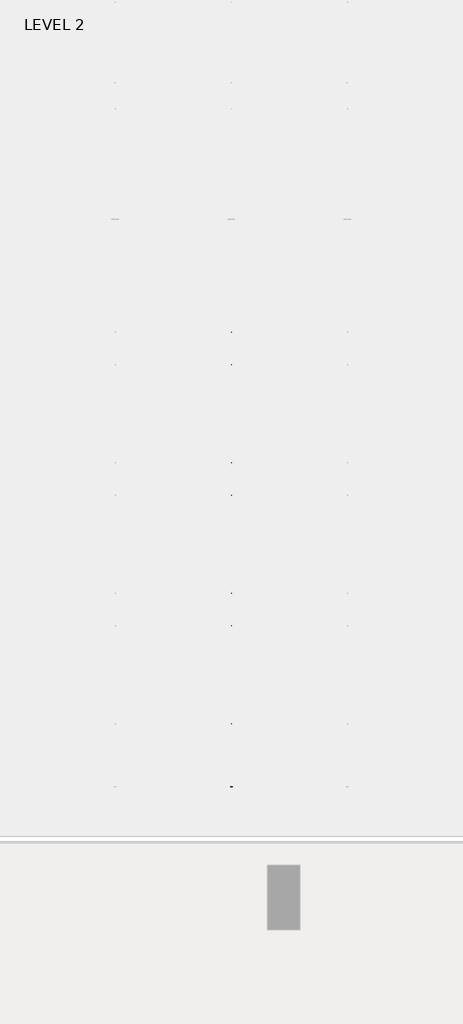
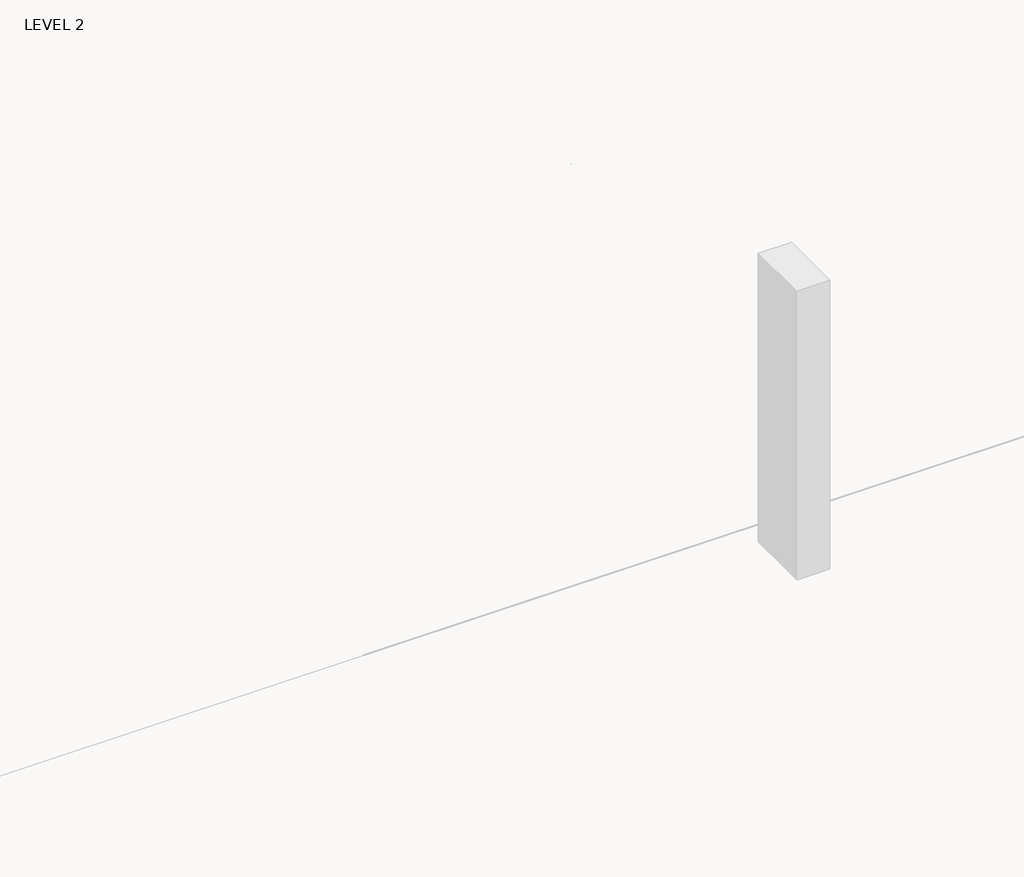
# One storey, part 18 of 67: 1 beam.
"""IFC4 building model written with IfcOpenShell, lengths in millimetres."""

from ifc_helpers import new_model, si_unit, frame, origin, place, context, project, spatial, polyline, outline, extrude, faceted_brep, element, save

model = new_model("IFC4")

# Units and contexts
model_context = context("Model", 3, world=origin())
ifc_project = project(units=[si_unit("LENGTHUNIT", "METRE", prefix="MILLI")], contexts=[model_context])

# Site, building, storey
site = spatial("IfcSite", under=ifc_project)
building = spatial("IfcBuilding", under=site)
storey = spatial("IfcBuildingStorey", under=building, Name="LEVEL 2", Elevation=6908.8)

# Beam
placement = place(None, origin())
element("IfcBeam", 1, ObjectType="K-Series Bar Joist-Angle Web : 12K3", at=placement, inside=storey, context=model_context, shape_type="SolidModel", body=[
    extrude(outline(polyline([(0.0, -9.525), (0.0, 0.0), (573.7533355, 0.0), (573.7533355, -9.525), (0.0, -9.525)])), frame((16225.0814942, -8384.9703623, 6274.5702814), z_axis=(0.0, -0.47954343730979243, 0.8775181432501035), x_axis=(0.0, -0.8775181432501035, -0.47954343730979243)), (0.0, 0.0, 1.0), 9.525),
    extrude(outline(polyline([(0.0, -9.525), (0.0, 0.0), (573.7533355, 0.0), (573.7533355, -9.525), (0.0, -9.525)])), frame((16215.5564942, -14433.7556121, 6173.6227252), z_axis=(0.0, 0.44999492249664974, 0.893031113526978), x_axis=(0.0, 0.893031113526978, -0.44999492249664974)), (0.0, 0.0, 1.0), 9.525),
    extrude(outline(polyline([(4.7625, 4.7625001), (4.7625, -4.7625), (-4.7625, -4.7625), (-4.7625, 4.7625001), (4.7625, 4.7625001)])), frame((16220.3189942, -8890.7331495, 6003.6098148), z_axis=(0.0, 0.5446821447758766, 0.838642570564094), x_axis=(-1.0, 0.0, 0.0)), (0.0, 0.0, 1.0), 321.5434366),
    extrude(outline(polyline([(4.7625, 4.7625), (4.7625, -4.7625), (-4.7625, -4.7625), (-4.7625, 4.7625), (4.7625, 4.7625)])), frame((16220.3189942, -13919.2329312, 5919.6896981), z_axis=(0.0, -0.5723630656913158, 0.820000317702645), x_axis=(-1.0, 0.0, 0.0)), (0.0, 0.0, 1.0), 321.5434366),
    extrude(outline(polyline([(0.0, 0.0), (31.75, 0.0), (31.75, -6.35), (6.35, -6.35), (6.35, -31.7500001), (0.0, -31.7500001), (0.0, 0.0)])), frame((16225.0814942, -14020.7128256, 5911.6452263), z_axis=(0.0, 0.9998607694356157, 0.01668657375312592), x_axis=(1.0, 0.0, 0.0)), (0.0, 0.0, 1.0), 5232.4),
    extrude(outline(polyline([(-9.525, 0.0), (-9.525, -31.7500001), (-15.875, -31.7500001), (-15.875, -6.35), (-41.275, -6.35), (-41.275, 0.0), (-9.525, 0.0)])), frame((16225.0814942, -14020.7128256, 5911.6452263), z_axis=(0.0, 0.9998607694356157, 0.01668657375312592), x_axis=(1.0, 0.0, 0.0)), (0.0, 0.0, 1.0), 5232.4),
    extrude(outline(polyline([(-31.75, 0.0), (0.0, 0.0), (0.0, -6.35), (-25.4, -6.35), (-25.4, -31.7500001), (-31.75, -31.7500001), (-31.75, 0.0)])), frame((16256.8314942, -14532.6685667, 6144.4348505), z_axis=(0.0, 0.9998607694356157, 0.01668657375312592), x_axis=(1.0, 0.0, 0.0)), (0.0, 0.0, 1.0), 101.6),
    extrude(outline(polyline([(-41.275, 0.0), (-41.275, -31.7500001), (-47.625, -31.7500001), (-47.625, -6.35), (-73.025, -6.35), (-73.025, 0.0), (-41.275, 0.0)])), frame((16256.8314942, -14532.6685667, 6144.4348505), z_axis=(0.0, 0.9998607694356157, 0.01668657375312592), x_axis=(1.0, 0.0, 0.0)), (0.0, 0.0, 1.0), 101.6),
    extrude(outline(polyline([(0.0, 0.0), (31.75, 0.0), (31.75, -6.35), (6.35, -6.35), (6.35, -31.75), (0.0, -31.75), (0.0, 0.0)])), frame((16215.5564942, -8386.7243892, 6247.0038821), z_axis=(0.0, 0.9998607694356157, 0.01668657375312592), x_axis=(0.0, -0.01668657375312592, 0.9998607694356157)), (0.0, 0.0, 1.0), 101.6),
    extrude(outline(polyline([(0.0, 41.275), (6.35, 41.275), (6.35, 15.875), (31.75, 15.875), (31.75, 9.525), (0.0, 9.525), (0.0, 41.275)])), frame((16215.5564942, -8386.7243892, 6247.0038821), z_axis=(0.0, 0.9998607694356157, 0.01668657375312592), x_axis=(0.0, -0.01668657375312592, 0.9998607694356157)), (0.0, 0.0, 1.0), 101.6),
    extrude(outline(polyline([(0.0, 0.0), (31.75, 0.0), (31.75, -6.35), (6.35, -6.35), (6.35, -31.75), (0.0, -31.75), (0.0, 0.0)])), frame((16225.0814942, -14533.7281642, 6207.9260094), z_axis=(0.0, 0.9998607694356157, 0.01668657375312592), x_axis=(0.0, 0.01668657375312592, -0.9998607694356157)), (0.0, 0.0, 1.0), 6248.4),
    extrude(outline(polyline([(0.0, 9.525), (0.0, 41.275), (6.35, 41.275), (6.35, 15.875), (31.75, 15.875), (31.75, 9.525), (0.0, 9.525)])), frame((16225.0814942, -14533.7281642, 6207.9260094), z_axis=(0.0, 0.9998607694356157, 0.01668657375312592), x_axis=(0.0, 0.01668657375312592, -0.9998607694356157)), (0.0, 0.0, 1.0), 6248.4),
    faceted_brep([(16220.3189942, -8890.9980489, 6019.4826046), (16220.3189942, -8890.6801697, 6000.4352569), (16215.5564942, -8890.6801697, 6000.4352569), (16215.5564942, -8890.9980489, 6019.4826046), (16220.3189942, -8891.9429222, 6019.4668357), (16220.3189942, -9063.496197, 6296.0427071), (16220.3189942, -9081.5986714, 6295.7405968), (16220.3189942, -9081.2807922, 6276.6932491), (16220.3189942, -9073.986803, 6276.8149778), (16220.3189942, -8902.4335282, 6000.2391063), (16215.5564942, -8902.4335282, 6000.2391063), (16215.5564942, -8923.8776875, 6034.8110902), (16215.5564942, -8919.8305256, 6037.3214462), (16215.5564942, -9060.192296, 6263.6107955), (16215.5564942, -9064.2394579, 6261.1004396), (16215.5564942, -9073.986803, 6276.8149778), (16215.5564942, -9081.2807922, 6276.6932491), (16215.5564942, -9081.5986714, 6295.7405968), (16215.5564942, -9063.496197, 6296.0427071), (16215.5564942, -8891.9429222, 6019.4668357), (16202.8564942, -9064.2394579, 6261.1004396), (16202.8564942, -8923.8776875, 6034.8110902), (16202.8564942, -8919.8305256, 6037.3214462), (16202.8564942, -9060.192296, 6263.6107955)], [[[0, 1, 2, 3]], [[1, 0, 4, 5, 6, 7, 8, 9]], [[2, 1, 9, 10]], [[3, 2, 10, 11, 12, 13, 14, 15, 16, 17, 18, 19]], [[0, 3, 19, 4]], [[9, 8, 15, 14, 20, 21, 11, 10]], [[5, 4, 19, 18]], [[7, 6, 17, 16]], [[8, 7, 16, 15]], [[6, 5, 18, 17]], [[21, 22, 12, 11]], [[20, 14, 13, 23]], [[22, 21, 20, 23]], [[12, 22, 23, 13]]]),
    extrude(outline(polyline([(-9249.8587255, 5994.4409629), (-9250.1766047, 6013.4883105), (-9249.2317315, 6013.5040794), (-9087.002914, 6295.6504059), (-9068.9004396, 6295.9525163), (-9068.5825604, 6276.9051686), (-9075.8765496, 6276.78344), (-9238.105367, 5994.6371134), (-9249.8587255, 5994.4409629)])), frame((16220.3189942, 0.0, 0.0), z_axis=(1.0, 0.0, 0.0), x_axis=(0.0, 1.0, 0.0)), (0.0, 0.0, 1.0), 4.7625),
    extrude(outline(polyline([(-4.7625, 4.7625001), (-4.7625, 0.0), (-17.4625, 0.0), (-17.4625, 4.7625001), (-4.7625, 4.7625001)])), frame((16220.3189942, -9217.8267648, 6029.9054043), z_axis=(0.0, 0.4984588389961533, 0.8669133669673152), x_axis=(-1.0, 0.0, 0.0)), (0.0, 0.0, 1.0), 266.2861172),
    faceted_brep([(16220.3189942, -13560.3192747, 5941.5567819), (16220.3189942, -13560.0013955, 5922.5094342), (16215.5564942, -13560.0013955, 5922.5094342), (16215.5564942, -13560.3192747, 5941.5567819), (16220.3189942, -13561.264148, 5941.541013), (16220.3189942, -13732.8174229, 6218.1168844), (16220.3189942, -13750.9198972, 6217.8147741), (16220.3189942, -13750.602018, 6198.7674264), (16220.3189942, -13743.3080288, 6198.8891551), (16220.3189942, -13571.754754, 5922.3132836), (16215.5564942, -13571.754754, 5922.3132836), (16215.5564942, -13593.1989133, 5956.8852676), (16215.5564942, -13589.1517514, 5959.3956235), (16215.5564942, -13729.5135218, 6185.6849729), (16215.5564942, -13733.5606837, 6183.1746169), (16215.5564942, -13743.3080288, 6198.8891551), (16215.5564942, -13750.602018, 6198.7674264), (16215.5564942, -13750.9198972, 6217.8147741), (16215.5564942, -13732.8174229, 6218.1168844), (16215.5564942, -13561.264148, 5941.541013), (16202.8564942, -13733.5606837, 6183.1746169), (16202.8564942, -13593.1989133, 5956.8852676), (16202.8564942, -13589.1517514, 5959.3956235), (16202.8564942, -13729.5135218, 6185.6849729)], [[[0, 1, 2, 3]], [[1, 0, 4, 5, 6, 7, 8, 9]], [[2, 1, 9, 10]], [[3, 2, 10, 11, 12, 13, 14, 15, 16, 17, 18, 19]], [[0, 3, 19, 4]], [[9, 8, 15, 14, 20, 21, 11, 10]], [[5, 4, 19, 18]], [[7, 6, 17, 16]], [[8, 7, 16, 15]], [[6, 5, 18, 17]], [[21, 22, 12, 11]], [[20, 14, 13, 23]], [[22, 21, 20, 23]], [[12, 22, 23, 13]]]),
    extrude(outline(polyline([(-13919.1799513, 5916.5151402), (-13919.4978306, 5935.5624878), (-13918.5529573, 5935.5782567), (-13756.3241398, 6217.7245833), (-13738.2216655, 6218.0266936), (-13737.9037862, 6198.9793459), (-13745.1977754, 6198.8576173), (-13907.4265928, 5916.7112908), (-13919.1799513, 5916.5151402)])), frame((16220.3189942, 0.0, 0.0), z_axis=(1.0, 0.0, 0.0), x_axis=(0.0, 1.0, 0.0)), (0.0, 0.0, 1.0), 4.7625),
    extrude(outline(polyline([(-4.7625, 4.7625), (-4.7625, 0.0), (-17.4625, 0.0), (-17.4625, 4.7625), (-4.7625, 4.7625)])), frame((16220.3189942, -13887.1479907, 5951.9795816), z_axis=(0.0, 0.4984588389961533, 0.8669133669673152), x_axis=(-1.0, 0.0, 0.0)), (0.0, 0.0, 1.0), 266.2861172),
    faceted_brep([(16220.3189942, -9250.1766047, 6013.4883105), (16220.3189942, -9249.8587255, 5994.4409629), (16215.5564942, -9249.8587255, 5994.4409629), (16215.5564942, -9250.1766047, 6013.4883105), (16220.3189942, -9251.121478, 6013.4725416), (16220.3189942, -9422.6747529, 6290.0484131), (16220.3189942, -9440.7772272, 6289.7463027), (16220.3189942, -9440.459348, 6270.6989551), (16220.3189942, -9433.1653588, 6270.8206837), (16220.3189942, -9261.612084, 5994.2448123), (16215.5564942, -9261.612084, 5994.2448123), (16215.5564942, -9283.0562434, 6028.8167962), (16215.5564942, -9279.0090815, 6031.3271521), (16215.5564942, -9419.3708518, 6257.6165015), (16215.5564942, -9423.4180137, 6255.1061455), (16215.5564942, -9433.1653588, 6270.8206837), (16215.5564942, -9440.459348, 6270.6989551), (16215.5564942, -9440.7772272, 6289.7463027), (16215.5564942, -9422.6747529, 6290.0484131), (16215.5564942, -9251.121478, 6013.4725416), (16202.8564942, -9423.4180137, 6255.1061455), (16202.8564942, -9283.0562434, 6028.8167962), (16202.8564942, -9279.0090815, 6031.3271521), (16202.8564942, -9419.3708518, 6257.6165015)], [[[0, 1, 2, 3]], [[1, 0, 4, 5, 6, 7, 8, 9]], [[2, 1, 9, 10]], [[3, 2, 10, 11, 12, 13, 14, 15, 16, 17, 18, 19]], [[0, 3, 19, 4]], [[9, 8, 15, 14, 20, 21, 11, 10]], [[5, 4, 19, 18]], [[7, 6, 17, 16]], [[8, 7, 16, 15]], [[6, 5, 18, 17]], [[21, 22, 12, 11]], [[20, 14, 13, 23]], [[22, 21, 20, 23]], [[12, 22, 23, 13]]]),
    extrude(outline(polyline([(-9609.0372813, 5988.4466688), (-9609.3551606, 6007.4940165), (-9608.4102873, 6007.5097854), (-9446.1814699, 6289.6561119), (-9428.0789955, 6289.9582222), (-9427.7611162, 6270.9108746), (-9435.0551054, 6270.7891459), (-9597.2839229, 5988.6428194), (-9609.0372813, 5988.4466688)])), frame((16220.3189942, 0.0, 0.0), z_axis=(1.0, 0.0, 0.0), x_axis=(0.0, 1.0, 0.0)), (0.0, 0.0, 1.0), 4.7625),
    extrude(outline(polyline([(-4.7625, 4.7625), (-4.7625, 0.0), (-17.4625, 0.0), (-17.4625, 4.7625), (-4.7625, 4.7625)])), frame((16220.3189942, -9577.0053207, 6023.9111102), z_axis=(0.0, 0.4984588389961533, 0.8669133669673152), x_axis=(-1.0, 0.0, 0.0)), (0.0, 0.0, 1.0), 266.2861172),
    faceted_brep([(16220.3189942, -9609.3551606, 6007.4940165), (16220.3189942, -9609.0372813, 5988.4466688), (16215.5564942, -9609.0372813, 5988.4466688), (16215.5564942, -9609.3551606, 6007.4940165), (16220.3189942, -9610.3000339, 6007.4782476), (16220.3189942, -9781.8533087, 6284.054119), (16220.3189942, -9799.9557831, 6283.7520087), (16220.3189942, -9799.6379039, 6264.704661), (16220.3189942, -9792.3439147, 6264.8263896), (16220.3189942, -9620.7906398, 5988.2505182), (16215.5564942, -9620.7906398, 5988.2505182), (16215.5564942, -9642.2347992, 6022.8225021), (16215.5564942, -9638.1876373, 6025.3328581), (16215.5564942, -9778.5494076, 6251.6222074), (16215.5564942, -9782.5965695, 6249.1118515), (16215.5564942, -9792.3439147, 6264.8263896), (16215.5564942, -9799.6379039, 6264.704661), (16215.5564942, -9799.9557831, 6283.7520087), (16215.5564942, -9781.8533087, 6284.054119), (16215.5564942, -9610.3000339, 6007.4782476), (16202.8564942, -9782.5965695, 6249.1118515), (16202.8564942, -9642.2347992, 6022.8225021), (16202.8564942, -9638.1876373, 6025.3328581), (16202.8564942, -9778.5494076, 6251.6222074)], [[[0, 1, 2, 3]], [[1, 0, 4, 5, 6, 7, 8, 9]], [[2, 1, 9, 10]], [[3, 2, 10, 11, 12, 13, 14, 15, 16, 17, 18, 19]], [[0, 3, 19, 4]], [[9, 8, 15, 14, 20, 21, 11, 10]], [[5, 4, 19, 18]], [[7, 6, 17, 16]], [[8, 7, 16, 15]], [[6, 5, 18, 17]], [[21, 22, 12, 11]], [[20, 14, 13, 23]], [[22, 21, 20, 23]], [[12, 22, 23, 13]]]),
    extrude(outline(polyline([(-9968.2158372, 5982.4523747), (-9968.5337164, 6001.4997224), (-9967.5888431, 6001.5154913), (-9805.3600257, 6283.6618178), (-9787.2575513, 6283.9639282), (-9786.9396721, 6264.9165805), (-9794.2336612, 6264.7948519), (-9956.4624787, 5982.6485253), (-9968.2158372, 5982.4523747)])), frame((16220.3189942, 0.0, 0.0), z_axis=(1.0, 0.0, 0.0), x_axis=(0.0, 1.0, 0.0)), (0.0, 0.0, 1.0), 4.7625),
    extrude(outline(polyline([(-4.7625, 4.7625), (-4.7625, 0.0), (-17.4625, 0.0), (-17.4625, 4.7625), (-4.7625, 4.7625)])), frame((16220.3189942, -9936.1838765, 6017.9168162), z_axis=(0.0, 0.4984588389961533, 0.8669133669673152), x_axis=(-1.0, 0.0, 0.0)), (0.0, 0.0, 1.0), 266.2861172),
    faceted_brep([(16220.3189942, -9968.5337164, 6001.4997224), (16220.3189942, -9968.2158372, 5982.4523747), (16215.5564942, -9968.2158372, 5982.4523747), (16215.5564942, -9968.5337164, 6001.4997224), (16220.3189942, -9969.4785897, 6001.4839535), (16220.3189942, -10141.0318645, 6278.059825), (16220.3189942, -10159.1343389, 6277.7577146), (16220.3189942, -10158.8164597, 6258.710367), (16220.3189942, -10151.5224705, 6258.8320956), (16220.3189942, -9979.9691957, 5982.2562242), (16215.5564942, -9979.9691957, 5982.2562242), (16215.5564942, -10001.413355, 6016.8282081), (16215.5564942, -9997.3661931, 6019.338564), (16215.5564942, -10137.7279635, 6245.6279134), (16215.5564942, -10141.7751254, 6243.1175574), (16215.5564942, -10151.5224705, 6258.8320956), (16215.5564942, -10158.8164597, 6258.710367), (16215.5564942, -10159.1343389, 6277.7577146), (16215.5564942, -10141.0318645, 6278.059825), (16215.5564942, -9969.4785897, 6001.4839535), (16202.8564942, -10141.7751254, 6243.1175574), (16202.8564942, -10001.413355, 6016.8282081), (16202.8564942, -9997.3661931, 6019.338564), (16202.8564942, -10137.7279635, 6245.6279134)], [[[0, 1, 2, 3]], [[1, 0, 4, 5, 6, 7, 8, 9]], [[2, 1, 9, 10]], [[3, 2, 10, 11, 12, 13, 14, 15, 16, 17, 18, 19]], [[0, 3, 19, 4]], [[9, 8, 15, 14, 20, 21, 11, 10]], [[5, 4, 19, 18]], [[7, 6, 17, 16]], [[8, 7, 16, 15]], [[6, 5, 18, 17]], [[21, 22, 12, 11]], [[20, 14, 13, 23]], [[22, 21, 20, 23]], [[12, 22, 23, 13]]]),
    extrude(outline(polyline([(-10327.394393, 5976.4580807), (-10327.7122722, 5995.5054284), (-10326.767399, 5995.5211972), (-10164.5385815, 6277.6675238), (-10146.4361071, 6277.9696341), (-10146.1182279, 6258.9222864), (-10153.4122171, 6258.8005578), (-10315.6410345, 5976.6542313), (-10327.394393, 5976.4580807)])), frame((16220.3189942, 0.0, 0.0), z_axis=(1.0, 0.0, 0.0), x_axis=(0.0, 1.0, 0.0)), (0.0, 0.0, 1.0), 4.7625),
    extrude(outline(polyline([(-4.7625, 4.7625), (-4.7625, 0.0), (-17.4625, 0.0), (-17.4625, 4.7625), (-4.7625, 4.7625)])), frame((16220.3189942, -10295.3624323, 6011.9225221), z_axis=(0.0, 0.4984588389961533, 0.8669133669673152), x_axis=(-1.0, 0.0, 0.0)), (0.0, 0.0, 1.0), 266.2861172),
    faceted_brep([(16220.3189942, -10327.7122722, 5995.5054284), (16220.3189942, -10327.394393, 5976.4580807), (16215.5564942, -10327.394393, 5976.4580807), (16215.5564942, -10327.7122722, 5995.5054284), (16220.3189942, -10328.6571455, 5995.4896595), (16220.3189942, -10500.2104204, 6272.0655309), (16220.3189942, -10518.3128947, 6271.7634206), (16220.3189942, -10517.9950155, 6252.7160729), (16220.3189942, -10510.7010263, 6252.8378015), (16220.3189942, -10339.1477515, 5976.2619301), (16215.5564942, -10339.1477515, 5976.2619301), (16215.5564942, -10360.5919108, 6010.833914), (16215.5564942, -10356.544749, 6013.34427), (16215.5564942, -10496.9065193, 6239.6336193), (16215.5564942, -10500.9536812, 6237.1232634), (16215.5564942, -10510.7010263, 6252.8378015), (16215.5564942, -10517.9950155, 6252.7160729), (16215.5564942, -10518.3128947, 6271.7634206), (16215.5564942, -10500.2104204, 6272.0655309), (16215.5564942, -10328.6571455, 5995.4896595), (16202.8564942, -10500.9536812, 6237.1232634), (16202.8564942, -10360.5919108, 6010.833914), (16202.8564942, -10356.544749, 6013.34427), (16202.8564942, -10496.9065193, 6239.6336193)], [[[0, 1, 2, 3]], [[1, 0, 4, 5, 6, 7, 8, 9]], [[2, 1, 9, 10]], [[3, 2, 10, 11, 12, 13, 14, 15, 16, 17, 18, 19]], [[0, 3, 19, 4]], [[9, 8, 15, 14, 20, 21, 11, 10]], [[5, 4, 19, 18]], [[7, 6, 17, 16]], [[8, 7, 16, 15]], [[6, 5, 18, 17]], [[21, 22, 12, 11]], [[20, 14, 13, 23]], [[22, 21, 20, 23]], [[12, 22, 23, 13]]]),
    extrude(outline(polyline([(-10686.5729488, 5970.4637866), (-10686.8908281, 5989.5111343), (-10685.9459548, 5989.5269032), (-10523.7171373, 6271.6732297), (-10505.614663, 6271.9753401), (-10505.2967837, 6252.9279924), (-10512.5907729, 6252.8062638), (-10674.8195903, 5970.6599372), (-10686.5729488, 5970.4637866)])), frame((16220.3189942, 0.0, 0.0), z_axis=(1.0, 0.0, 0.0), x_axis=(0.0, 1.0, 0.0)), (0.0, 0.0, 1.0), 4.7625),
    extrude(outline(polyline([(-4.7625, 4.7625), (-4.7625, 0.0), (-17.4625, 0.0), (-17.4625, 4.7625), (-4.7625, 4.7625)])), frame((16220.3189942, -10654.5409882, 6005.9282281), z_axis=(0.0, 0.4984588389961533, 0.8669133669673152), x_axis=(-1.0, 0.0, 0.0)), (0.0, 0.0, 1.0), 266.2861172),
    faceted_brep([(16220.3189942, -10686.8908281, 5989.5111343), (16220.3189942, -10686.5729488, 5970.4637866), (16215.5564942, -10686.5729488, 5970.4637866), (16215.5564942, -10686.8908281, 5989.5111343), (16220.3189942, -10687.8357014, 5989.4953654), (16220.3189942, -10859.3889762, 6266.0712369), (16220.3189942, -10877.4914506, 6265.7691265), (16220.3189942, -10877.1735713, 6246.7217789), (16220.3189942, -10869.8795822, 6246.8435075), (16220.3189942, -10698.3263073, 5970.2676361), (16215.5564942, -10698.3263073, 5970.2676361), (16215.5564942, -10719.7704667, 6004.83962), (16215.5564942, -10715.7233048, 6007.3499759), (16215.5564942, -10856.0850751, 6233.6393253), (16215.5564942, -10860.132237, 6231.1289693), (16215.5564942, -10869.8795822, 6246.8435075), (16215.5564942, -10877.1735713, 6246.7217789), (16215.5564942, -10877.4914506, 6265.7691265), (16215.5564942, -10859.3889762, 6266.0712369), (16215.5564942, -10687.8357014, 5989.4953654), (16202.8564942, -10860.132237, 6231.1289693), (16202.8564942, -10719.7704667, 6004.83962), (16202.8564942, -10715.7233048, 6007.3499759), (16202.8564942, -10856.0850751, 6233.6393253)], [[[0, 1, 2, 3]], [[1, 0, 4, 5, 6, 7, 8, 9]], [[2, 1, 9, 10]], [[3, 2, 10, 11, 12, 13, 14, 15, 16, 17, 18, 19]], [[0, 3, 19, 4]], [[9, 8, 15, 14, 20, 21, 11, 10]], [[5, 4, 19, 18]], [[7, 6, 17, 16]], [[8, 7, 16, 15]], [[6, 5, 18, 17]], [[21, 22, 12, 11]], [[20, 14, 13, 23]], [[22, 21, 20, 23]], [[12, 22, 23, 13]]]),
    extrude(outline(polyline([(-11045.7515047, 5964.4694926), (-11046.0693839, 5983.5168403), (-11045.1245106, 5983.5326091), (-10882.8956932, 6265.6789357), (-10864.7932188, 6265.981046), (-10864.4753396, 6246.9336983), (-10871.7693287, 6246.8119697), (-11033.9981462, 5964.6656432), (-11045.7515047, 5964.4694926)])), frame((16220.3189942, 0.0, 0.0), z_axis=(1.0, 0.0, 0.0), x_axis=(0.0, 1.0, 0.0)), (0.0, 0.0, 1.0), 4.7625),
    extrude(outline(polyline([(-4.7625, 4.7625), (-4.7625, 0.0), (-17.4625, 0.0), (-17.4625, 4.7625), (-4.7625, 4.7625)])), frame((16220.3189942, -11013.719544, 5999.933934), z_axis=(0.0, 0.4984588389961533, 0.8669133669673152), x_axis=(-1.0, 0.0, 0.0)), (0.0, 0.0, 1.0), 266.2861172),
    faceted_brep([(16220.3189942, -11046.0693839, 5983.5168403), (16220.3189942, -11045.7515047, 5964.4694926), (16215.5564942, -11045.7515047, 5964.4694926), (16215.5564942, -11046.0693839, 5983.5168403), (16220.3189942, -11047.0142572, 5983.5010714), (16220.3189942, -11218.567532, 6260.0769428), (16220.3189942, -11236.6700064, 6259.7748325), (16220.3189942, -11236.3521272, 6240.7274848), (16220.3189942, -11229.058138, 6240.8492134), (16220.3189942, -11057.5048632, 5964.273342), (16215.5564942, -11057.5048632, 5964.273342), (16215.5564942, -11078.9490225, 5998.8453259), (16215.5564942, -11074.9018606, 6001.3556819), (16215.5564942, -11215.263631, 6227.6450312), (16215.5564942, -11219.3107928, 6225.1346753), (16215.5564942, -11229.058138, 6240.8492134), (16215.5564942, -11236.3521272, 6240.7274848), (16215.5564942, -11236.6700064, 6259.7748325), (16215.5564942, -11218.567532, 6260.0769428), (16215.5564942, -11047.0142572, 5983.5010714), (16202.8564942, -11219.3107928, 6225.1346753), (16202.8564942, -11078.9490225, 5998.8453259), (16202.8564942, -11074.9018606, 6001.3556819), (16202.8564942, -11215.263631, 6227.6450312)], [[[0, 1, 2, 3]], [[1, 0, 4, 5, 6, 7, 8, 9]], [[2, 1, 9, 10]], [[3, 2, 10, 11, 12, 13, 14, 15, 16, 17, 18, 19]], [[0, 3, 19, 4]], [[9, 8, 15, 14, 20, 21, 11, 10]], [[5, 4, 19, 18]], [[7, 6, 17, 16]], [[8, 7, 16, 15]], [[6, 5, 18, 17]], [[21, 22, 12, 11]], [[20, 14, 13, 23]], [[22, 21, 20, 23]], [[12, 22, 23, 13]]]),
    extrude(outline(polyline([(-11404.9300605, 5958.4751985), (-11405.2479397, 5977.5225462), (-11404.3030664, 5977.5383151), (-11242.074249, 6259.6846416), (-11223.9717746, 6259.986752), (-11223.6538954, 6240.9394043), (-11230.9478846, 6240.8176757), (-11393.176702, 5958.6713491), (-11404.9300605, 5958.4751985)])), frame((16220.3189942, 0.0, 0.0), z_axis=(1.0, 0.0, 0.0), x_axis=(0.0, 1.0, 0.0)), (0.0, 0.0, 1.0), 4.7625),
    extrude(outline(polyline([(-4.7625, 4.7625), (-4.7625, 0.0), (-17.4625, 0.0), (-17.4625, 4.7625), (-4.7625, 4.7625)])), frame((16220.3189942, -11372.8980998, 5993.93964), z_axis=(0.0, 0.4984588389961533, 0.8669133669673152), x_axis=(-1.0, 0.0, 0.0)), (0.0, 0.0, 1.0), 266.2861172),
    faceted_brep([(16220.3189942, -11405.2479397, 5977.5225462), (16220.3189942, -11404.9300605, 5958.4751985), (16215.5564942, -11404.9300605, 5958.4751985), (16215.5564942, -11405.2479397, 5977.5225462), (16220.3189942, -11406.192813, 5977.5067773), (16220.3189942, -11577.7460879, 6254.0826487), (16220.3189942, -11595.8485622, 6253.7805384), (16220.3189942, -11595.530683, 6234.7331908), (16220.3189942, -11588.2366938, 6234.8549194), (16220.3189942, -11416.683419, 5958.279048), (16215.5564942, -11416.683419, 5958.279048), (16215.5564942, -11438.1275783, 5992.8510319), (16215.5564942, -11434.0804165, 5995.3613878), (16215.5564942, -11574.4421868, 6221.6507372), (16215.5564942, -11578.4893487, 6219.1403812), (16215.5564942, -11588.2366938, 6234.8549194), (16215.5564942, -11595.530683, 6234.7331908), (16215.5564942, -11595.8485622, 6253.7805384), (16215.5564942, -11577.7460879, 6254.0826487), (16215.5564942, -11406.192813, 5977.5067773), (16202.8564942, -11578.4893487, 6219.1403812), (16202.8564942, -11438.1275783, 5992.8510319), (16202.8564942, -11434.0804165, 5995.3613878), (16202.8564942, -11574.4421868, 6221.6507372)], [[[0, 1, 2, 3]], [[1, 0, 4, 5, 6, 7, 8, 9]], [[2, 1, 9, 10]], [[3, 2, 10, 11, 12, 13, 14, 15, 16, 17, 18, 19]], [[0, 3, 19, 4]], [[9, 8, 15, 14, 20, 21, 11, 10]], [[5, 4, 19, 18]], [[7, 6, 17, 16]], [[8, 7, 16, 15]], [[6, 5, 18, 17]], [[21, 22, 12, 11]], [[20, 14, 13, 23]], [[22, 21, 20, 23]], [[12, 22, 23, 13]]]),
    extrude(outline(polyline([(-11764.1086163, 5952.4809045), (-11764.4264956, 5971.5282522), (-11763.4816223, 5971.544021), (-11601.2528048, 6253.6903476), (-11583.1503305, 6253.9924579), (-11582.8324512, 6234.9451102), (-11590.1264404, 6234.8233816), (-11752.3552578, 5952.6770551), (-11764.1086163, 5952.4809045)])), frame((16220.3189942, 0.0, 0.0), z_axis=(1.0, 0.0, 0.0), x_axis=(0.0, 1.0, 0.0)), (0.0, 0.0, 1.0), 4.7625),
    extrude(outline(polyline([(-4.7625, 4.7625), (-4.7625, 0.0), (-17.4625, 0.0), (-17.4625, 4.7625), (-4.7625, 4.7625)])), frame((16220.3189942, -11732.0766557, 5987.9453459), z_axis=(0.0, 0.4984588389961533, 0.8669133669673152), x_axis=(-1.0, 0.0, 0.0)), (0.0, 0.0, 1.0), 266.2861172),
    faceted_brep([(16220.3189942, -11764.4264956, 5971.5282522), (16220.3189942, -11764.1086163, 5952.4809045), (16215.5564942, -11764.1086163, 5952.4809045), (16215.5564942, -11764.4264956, 5971.5282522), (16220.3189942, -11765.3713688, 5971.5124833), (16220.3189942, -11936.9246437, 6248.0883547), (16220.3189942, -11955.0271181, 6247.7862444), (16220.3189942, -11954.7092388, 6228.7388967), (16220.3189942, -11947.4152497, 6228.8606253), (16220.3189942, -11775.8619748, 5952.2847539), (16215.5564942, -11775.8619748, 5952.2847539), (16215.5564942, -11797.3061342, 5986.8567378), (16215.5564942, -11793.2589723, 5989.3670938), (16215.5564942, -11933.6207426, 6215.6564431), (16215.5564942, -11937.6679045, 6213.1460872), (16215.5564942, -11947.4152497, 6228.8606253), (16215.5564942, -11954.7092388, 6228.7388967), (16215.5564942, -11955.0271181, 6247.7862444), (16215.5564942, -11936.9246437, 6248.0883547), (16215.5564942, -11765.3713688, 5971.5124833), (16202.8564942, -11937.6679045, 6213.1460872), (16202.8564942, -11797.3061342, 5986.8567378), (16202.8564942, -11793.2589723, 5989.3670938), (16202.8564942, -11933.6207426, 6215.6564431)], [[[0, 1, 2, 3]], [[1, 0, 4, 5, 6, 7, 8, 9]], [[2, 1, 9, 10]], [[3, 2, 10, 11, 12, 13, 14, 15, 16, 17, 18, 19]], [[0, 3, 19, 4]], [[9, 8, 15, 14, 20, 21, 11, 10]], [[5, 4, 19, 18]], [[7, 6, 17, 16]], [[8, 7, 16, 15]], [[6, 5, 18, 17]], [[21, 22, 12, 11]], [[20, 14, 13, 23]], [[22, 21, 20, 23]], [[12, 22, 23, 13]]]),
    extrude(outline(polyline([(-12123.2871722, 5946.4866104), (-12123.6050514, 5965.5339581), (-12122.6601781, 5965.549727), (-11960.4313607, 6247.6960535), (-11942.3288863, 6247.9981638), (-11942.0110071, 6228.9508162), (-11949.3049962, 6228.8290876), (-12111.5338137, 5946.682761), (-12123.2871722, 5946.4866104)])), frame((16220.3189942, 0.0, 0.0), z_axis=(1.0, 0.0, 0.0), x_axis=(0.0, 1.0, 0.0)), (0.0, 0.0, 1.0), 4.7625),
    extrude(outline(polyline([(-4.7625, 4.7625), (-4.7625, 0.0), (-17.4625, 0.0), (-17.4625, 4.7625), (-4.7625, 4.7625)])), frame((16220.3189942, -12091.2552115, 5981.9510518), z_axis=(0.0, 0.4984588389961533, 0.8669133669673152), x_axis=(-1.0, 0.0, 0.0)), (0.0, 0.0, 1.0), 266.2861172),
    faceted_brep([(16220.3189942, -12123.6050514, 5965.5339581), (16220.3189942, -12123.2871722, 5946.4866104), (16215.5564942, -12123.2871722, 5946.4866104), (16215.5564942, -12123.6050514, 5965.5339581), (16220.3189942, -12124.5499247, 5965.5181892), (16220.3189942, -12296.1031995, 6242.0940606), (16220.3189942, -12314.2056739, 6241.7919503), (16220.3189942, -12313.8877947, 6222.7446027), (16220.3189942, -12306.5938055, 6222.8663313), (16220.3189942, -12135.0405307, 5946.2904598), (16215.5564942, -12135.0405307, 5946.2904598), (16215.5564942, -12156.48469, 5980.8624438), (16215.5564942, -12152.4375281, 5983.3727997), (16215.5564942, -12292.7992984, 6209.6621491), (16215.5564942, -12296.8464603, 6207.1517931), (16215.5564942, -12306.5938055, 6222.8663313), (16215.5564942, -12313.8877947, 6222.7446027), (16215.5564942, -12314.2056739, 6241.7919503), (16215.5564942, -12296.1031995, 6242.0940606), (16215.5564942, -12124.5499247, 5965.5181892), (16202.8564942, -12296.8464603, 6207.1517931), (16202.8564942, -12156.48469, 5980.8624438), (16202.8564942, -12152.4375281, 5983.3727997), (16202.8564942, -12292.7992984, 6209.6621491)], [[[0, 1, 2, 3]], [[1, 0, 4, 5, 6, 7, 8, 9]], [[2, 1, 9, 10]], [[3, 2, 10, 11, 12, 13, 14, 15, 16, 17, 18, 19]], [[0, 3, 19, 4]], [[9, 8, 15, 14, 20, 21, 11, 10]], [[5, 4, 19, 18]], [[7, 6, 17, 16]], [[8, 7, 16, 15]], [[6, 5, 18, 17]], [[21, 22, 12, 11]], [[20, 14, 13, 23]], [[22, 21, 20, 23]], [[12, 22, 23, 13]]]),
    extrude(outline(polyline([(-12482.465728, 5940.4923164), (-12482.7836072, 5959.539664), (-12481.8387339, 5959.5554329), (-12319.6099165, 6241.7017595), (-12301.5074421, 6242.0038698), (-12301.1895629, 6222.9565221), (-12308.4835521, 6222.8347935), (-12470.7123695, 5940.688467), (-12482.465728, 5940.4923164)])), frame((16220.3189942, 0.0, 0.0), z_axis=(1.0, 0.0, 0.0), x_axis=(0.0, 1.0, 0.0)), (0.0, 0.0, 1.0), 4.7625),
    extrude(outline(polyline([(-4.7625, 4.7625), (-4.7625, 0.0), (-17.4625, 0.0), (-17.4625, 4.7625), (-4.7625, 4.7625)])), frame((16220.3189942, -12450.4337673, 5975.9567578), z_axis=(0.0, 0.4984588389961533, 0.8669133669673152), x_axis=(-1.0, 0.0, 0.0)), (0.0, 0.0, 1.0), 266.2861172),
    faceted_brep([(16220.3189942, -12482.7836072, 5959.539664), (16220.3189942, -12482.465728, 5940.4923164), (16215.5564942, -12482.465728, 5940.4923164), (16215.5564942, -12482.7836072, 5959.539664), (16220.3189942, -12483.7284805, 5959.5238952), (16220.3189942, -12655.2817554, 6236.0997666), (16220.3189942, -12673.3842297, 6235.7976563), (16220.3189942, -12673.0663505, 6216.7503086), (16220.3189942, -12665.7723613, 6216.8720372), (16220.3189942, -12494.2190865, 5940.2961658), (16215.5564942, -12494.2190865, 5940.2961658), (16215.5564942, -12515.6632458, 5974.8681497), (16215.5564942, -12511.6160839, 5977.3785056), (16215.5564942, -12651.9778543, 6203.667855), (16215.5564942, -12656.0250162, 6201.1574991), (16215.5564942, -12665.7723613, 6216.8720372), (16215.5564942, -12673.0663505, 6216.7503086), (16215.5564942, -12673.3842297, 6235.7976563), (16215.5564942, -12655.2817554, 6236.0997666), (16215.5564942, -12483.7284805, 5959.5238952), (16202.8564942, -12656.0250162, 6201.1574991), (16202.8564942, -12515.6632458, 5974.8681497), (16202.8564942, -12511.6160839, 5977.3785056), (16202.8564942, -12651.9778543, 6203.667855)], [[[0, 1, 2, 3]], [[1, 0, 4, 5, 6, 7, 8, 9]], [[2, 1, 9, 10]], [[3, 2, 10, 11, 12, 13, 14, 15, 16, 17, 18, 19]], [[0, 3, 19, 4]], [[9, 8, 15, 14, 20, 21, 11, 10]], [[5, 4, 19, 18]], [[7, 6, 17, 16]], [[8, 7, 16, 15]], [[6, 5, 18, 17]], [[21, 22, 12, 11]], [[20, 14, 13, 23]], [[22, 21, 20, 23]], [[12, 22, 23, 13]]]),
    extrude(outline(polyline([(-12841.6442838, 5934.4980223), (-12841.9621631, 5953.54537), (-12841.0172898, 5953.5611389), (-12678.7884723, 6235.7074654), (-12660.685998, 6236.0095757), (-12660.3681187, 6216.9622281), (-12667.6621079, 6216.8404995), (-12829.8909253, 5934.6941729), (-12841.6442838, 5934.4980223)])), frame((16220.3189942, 0.0, 0.0), z_axis=(1.0, 0.0, 0.0), x_axis=(0.0, 1.0, 0.0)), (0.0, 0.0, 1.0), 4.7625),
    extrude(outline(polyline([(-4.7625, 4.7625), (-4.7625, 0.0), (-17.4625, 0.0), (-17.4625, 4.7625), (-4.7625, 4.7625)])), frame((16220.3189942, -12809.6123232, 5969.9624637), z_axis=(0.0, 0.4984588389961533, 0.8669133669673152), x_axis=(-1.0, 0.0, 0.0)), (0.0, 0.0, 1.0), 266.2861172),
    faceted_brep([(16220.3189942, -12841.9621631, 5953.54537), (16220.3189942, -12841.6442838, 5934.4980223), (16215.5564942, -12841.6442838, 5934.4980223), (16215.5564942, -12841.9621631, 5953.54537), (16220.3189942, -12842.9070363, 5953.5296011), (16220.3189942, -13014.4603112, 6230.1054725), (16220.3189942, -13032.5627856, 6229.8033622), (16220.3189942, -13032.2449063, 6210.7560145), (16220.3189942, -13024.9509172, 6210.8777432), (16220.3189942, -12853.3976423, 5934.3018717), (16215.5564942, -12853.3976423, 5934.3018717), (16215.5564942, -12874.8418017, 5968.8738557), (16215.5564942, -12870.7946398, 5971.3842116), (16215.5564942, -13011.1564101, 6197.673561), (16215.5564942, -13015.203572, 6195.163205), (16215.5564942, -13024.9509172, 6210.8777432), (16215.5564942, -13032.2449063, 6210.7560145), (16215.5564942, -13032.5627856, 6229.8033622), (16215.5564942, -13014.4603112, 6230.1054725), (16215.5564942, -12842.9070363, 5953.5296011), (16202.8564942, -13015.203572, 6195.163205), (16202.8564942, -12874.8418017, 5968.8738557), (16202.8564942, -12870.7946398, 5971.3842116), (16202.8564942, -13011.1564101, 6197.673561)], [[[0, 1, 2, 3]], [[1, 0, 4, 5, 6, 7, 8, 9]], [[2, 1, 9, 10]], [[3, 2, 10, 11, 12, 13, 14, 15, 16, 17, 18, 19]], [[0, 3, 19, 4]], [[9, 8, 15, 14, 20, 21, 11, 10]], [[5, 4, 19, 18]], [[7, 6, 17, 16]], [[8, 7, 16, 15]], [[6, 5, 18, 17]], [[21, 22, 12, 11]], [[20, 14, 13, 23]], [[22, 21, 20, 23]], [[12, 22, 23, 13]]]),
    extrude(outline(polyline([(-13200.8228397, 5928.5037283), (-13201.1407189, 5947.5510759), (-13200.1958456, 5947.5668448), (-13037.9670282, 6229.7131714), (-13019.8645538, 6230.0152817), (-13019.5466746, 6210.967934), (-13026.8406637, 6210.8462054), (-13189.0694812, 5928.6998789), (-13200.8228397, 5928.5037283)])), frame((16220.3189942, 0.0, 0.0), z_axis=(1.0, 0.0, 0.0), x_axis=(0.0, 1.0, 0.0)), (0.0, 0.0, 1.0), 4.7625),
    extrude(outline(polyline([(-4.7625, 4.7625), (-4.7625, 0.0), (-17.4625, 0.0), (-17.4625, 4.7625), (-4.7625, 4.7625)])), frame((16220.3189942, -13168.790879, 5963.9681697), z_axis=(0.0, 0.4984588389961533, 0.8669133669673152), x_axis=(-1.0, 0.0, 0.0)), (0.0, 0.0, 1.0), 266.2861172),
    faceted_brep([(16220.3189942, -13201.1407189, 5947.5510759), (16220.3189942, -13200.8228397, 5928.5037283), (16215.5564942, -13200.8228397, 5928.5037283), (16215.5564942, -13201.1407189, 5947.5510759), (16220.3189942, -13202.0855922, 5947.5353071), (16220.3189942, -13373.638867, 6224.1111785), (16220.3189942, -13391.7413414, 6223.8090682), (16220.3189942, -13391.4234622, 6204.7617205), (16220.3189942, -13384.129473, 6204.8834491), (16220.3189942, -13212.5761981, 5928.3075777), (16215.5564942, -13212.5761981, 5928.3075777), (16215.5564942, -13234.0203575, 5962.8795616), (16215.5564942, -13229.9731956, 5965.3899175), (16215.5564942, -13370.3349659, 6191.6792669), (16215.5564942, -13374.3821278, 6189.168911), (16215.5564942, -13384.129473, 6204.8834491), (16215.5564942, -13391.4234622, 6204.7617205), (16215.5564942, -13391.7413414, 6223.8090682), (16215.5564942, -13373.638867, 6224.1111785), (16215.5564942, -13202.0855922, 5947.5353071), (16202.8564942, -13374.3821278, 6189.168911), (16202.8564942, -13234.0203575, 5962.8795616), (16202.8564942, -13229.9731956, 5965.3899175), (16202.8564942, -13370.3349659, 6191.6792669)], [[[0, 1, 2, 3]], [[1, 0, 4, 5, 6, 7, 8, 9]], [[2, 1, 9, 10]], [[3, 2, 10, 11, 12, 13, 14, 15, 16, 17, 18, 19]], [[0, 3, 19, 4]], [[9, 8, 15, 14, 20, 21, 11, 10]], [[5, 4, 19, 18]], [[7, 6, 17, 16]], [[8, 7, 16, 15]], [[6, 5, 18, 17]], [[21, 22, 12, 11]], [[20, 14, 13, 23]], [[22, 21, 20, 23]], [[12, 22, 23, 13]]]),
    extrude(outline(polyline([(-13560.0013955, 5922.5094342), (-13560.3192747, 5941.5567819), (-13559.3744014, 5941.5725508), (-13397.145584, 6223.7188773), (-13379.0431096, 6224.0209876), (-13378.7252304, 6204.97364), (-13386.0192196, 6204.8519113), (-13548.248037, 5922.7055848), (-13560.0013955, 5922.5094342)])), frame((16220.3189942, 0.0, 0.0), z_axis=(1.0, 0.0, 0.0), x_axis=(0.0, 1.0, 0.0)), (0.0, 0.0, 1.0), 4.7625),
    extrude(outline(polyline([(-4.7625, 4.7625), (-4.7625, 0.0), (-17.4625, 0.0), (-17.4625, 4.7625), (-4.7625, 4.7625)])), frame((16220.3189942, -13527.9694348, 5957.9738756), z_axis=(0.0, 0.4984588389961533, 0.8669133669673152), x_axis=(-1.0, 0.0, 0.0)), (0.0, 0.0, 1.0), 266.2861172),
])

save(model, "model.ifc")
